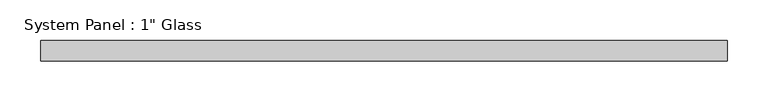
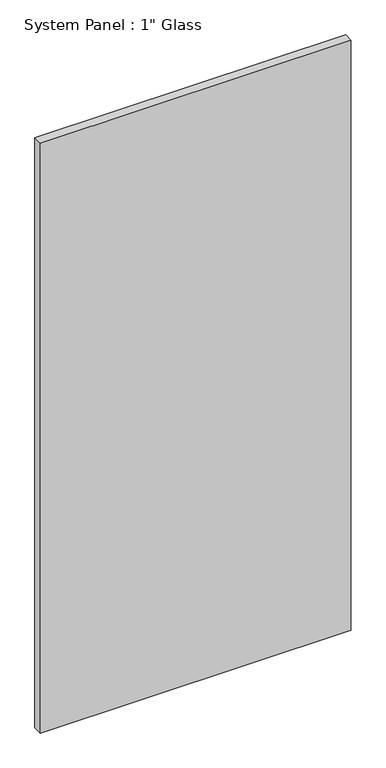
"""IFC4 building model written with IfcOpenShell, lengths in millimetres: plate geometry."""

from ifc_helpers import new_model, si_unit, origin, origin_with_axes, place, context, project, spatial, polyline, outline, extrude, source, transform, mapped, element, save


def plate_0fbb80f4(model_context):
    return source(origin(), model_context, "Body", "SweptSolid", [
        extrude(outline(polyline([(422.275, -12.7), (-422.275, -12.7), (-422.275, 12.7), (422.275, 12.7), (422.275, -12.7)])), origin_with_axes(), (0.0, 0.0, 1.0), 1695.45),
    ])


if __name__ == "__main__":
    model = new_model("IFC4")
    model_context = context("Model", 3, world=origin())
    ifc_project = project(units=[si_unit("LENGTHUNIT", "METRE", prefix="MILLI")], contexts=[model_context])
    site = spatial("IfcSite", under=ifc_project)
    building = spatial("IfcBuilding", under=site)
    placement = place(None, origin())
    plate_shape = plate_0fbb80f4(model_context)
    element("IfcPlate", 1, ObjectType="System Panel : 1\" Glass", at=placement, inside=building, context=model_context, shape_type="MappedRepresentation", body=[
        mapped(plate_shape, transform((0.0, 0.0, 0.0), x_axis=(1.0, 0.0, 0.0), y_axis=(0.0, 1.0, 0.0), z_axis=(0.0, 0.0, 1.0))),
    ])
    save(model, "model.ifc")
